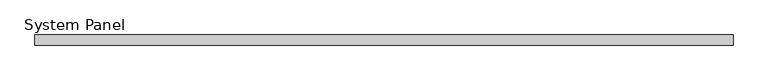
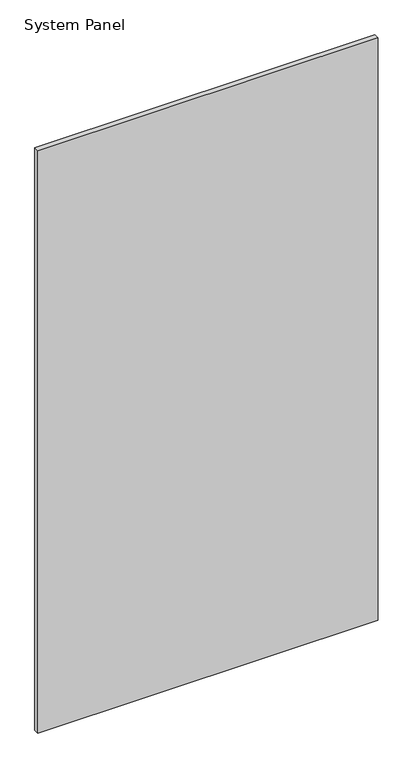
"""IFC4 building model written with IfcOpenShell, lengths in millimetres: plate geometry, System Panel."""

from ifc_helpers import new_model, si_unit, origin, origin_with_axes, place, context, project, spatial, polyline, outline, extrude, source, transform, mapped, element, save


def system_panel_8f12fcb1(model_context):
    return source(origin(), model_context, "Body", "SweptSolid", [
        extrude(outline(polyline([(662.8682631, -10.0), (-662.8682631, -10.0), (-662.8682631, 10.0), (662.8682631, 10.0), (662.8682631, -10.0)])), origin_with_axes(), (0.0, 0.0, 1.0), 2400.0),
    ])


if __name__ == "__main__":
    model = new_model("IFC4")
    model_context = context("Model", 3, world=origin())
    ifc_project = project(units=[si_unit("LENGTHUNIT", "METRE", prefix="MILLI")], contexts=[model_context])
    site = spatial("IfcSite", under=ifc_project)
    building = spatial("IfcBuilding", under=site)
    placement = place(None, origin())
    system_panel_shape = system_panel_8f12fcb1(model_context)
    element("IfcPlate", 1, ObjectType="System Panel", at=placement, inside=building, context=model_context, shape_type="MappedRepresentation", body=[
        mapped(system_panel_shape, transform((0.0, 0.0, 0.0), x_axis=(1.0, 0.0, 0.0), y_axis=(0.0, 1.0, 0.0), z_axis=(0.0, 0.0, 1.0))),
    ])
    save(model, "model.ifc")
